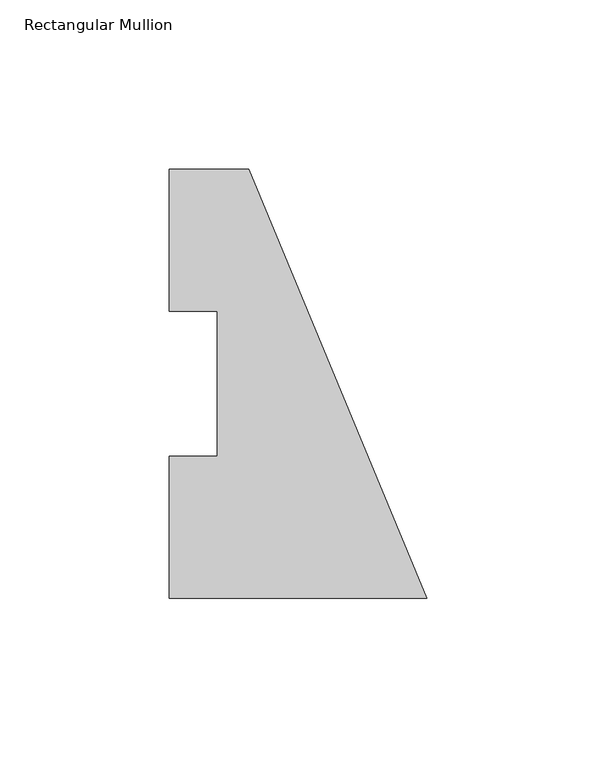
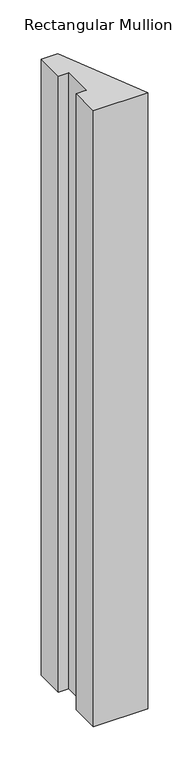
"""IFC4 building model written with IfcOpenShell, lengths in millimetres: member geometry, Rectangular Mullion."""

from ifc_helpers import new_model, si_unit, frame, origin, place, context, project, spatial, polyline, outline, extrude, source, transform, mapped, element, save


def rectangular_mullion_3b6354e9(model_context):
    return source(origin(), model_context, "Body", "SweptSolid", [
        extrude(outline(polyline([(-76.2, 0.00635), (-76.2, 42.08145), (-61.9125, 42.08145), (-61.9125, 84.93125), (-76.2, 84.93125), (-76.2, 127.00635), (-52.6051224, 127.00635), (0.0, 0.00635), (-76.2, 0.00635)])), frame((0.0, 0.0, -914.4), z_axis=(0.0, 0.0, 1.0), x_axis=(1.0, 0.0, 0.0)), (0.0, 0.0, 1.0), 914.4),
    ])


if __name__ == "__main__":
    model = new_model("IFC4")
    model_context = context("Model", 3, world=origin())
    ifc_project = project(units=[si_unit("LENGTHUNIT", "METRE", prefix="MILLI")], contexts=[model_context])
    site = spatial("IfcSite", under=ifc_project)
    building = spatial("IfcBuilding", under=site)
    placement = place(None, origin())
    rectangular_mullion_shape = rectangular_mullion_3b6354e9(model_context)
    element("IfcMember", 1, ObjectType="Rectangular Mullion", at=placement, inside=building, context=model_context, shape_type="MappedRepresentation", body=[
        mapped(rectangular_mullion_shape, transform((0.0, 0.0, 0.0), x_axis=(1.0, 0.0, 0.0), y_axis=(0.0, 1.0, 0.0), z_axis=(0.0, 0.0, 1.0))),
    ])
    save(model, "model.ifc")
